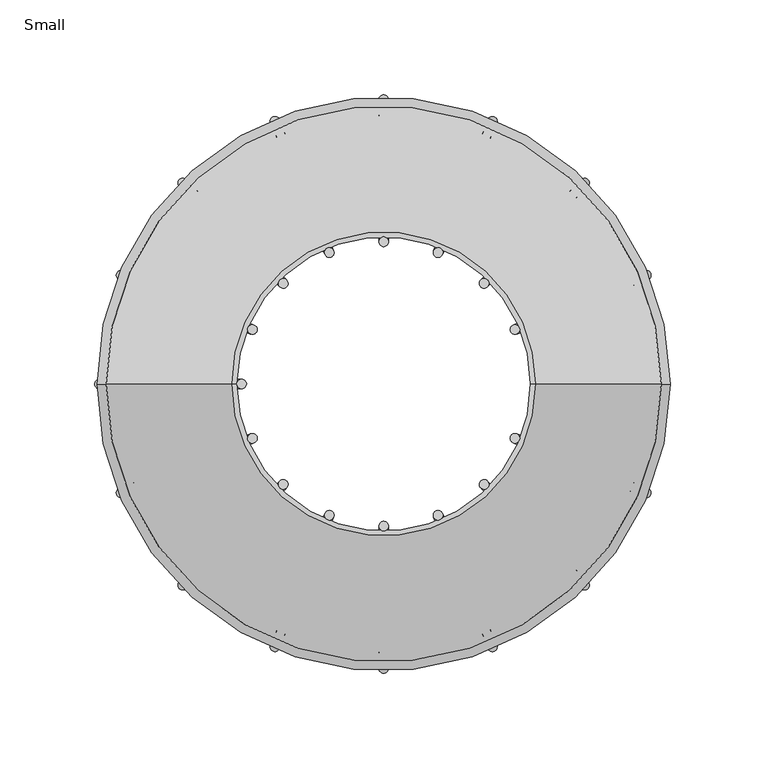
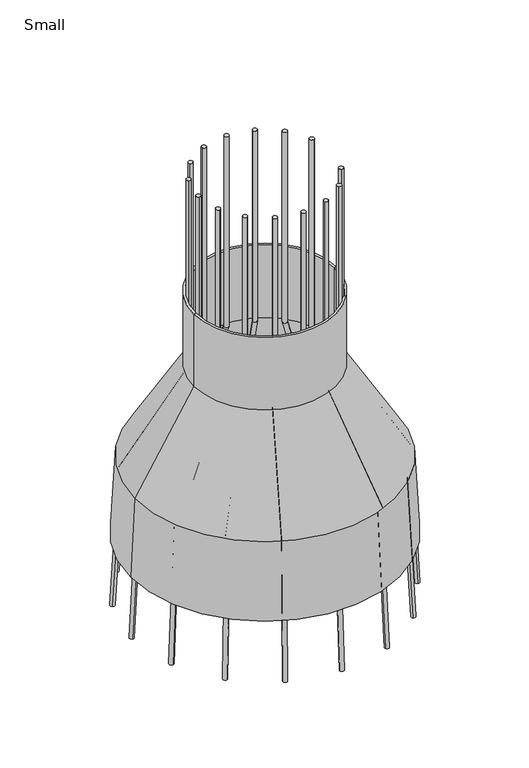
"""IFC4 building model written with IfcOpenShell, lengths in millimetres: furniture geometry, Small."""

from ifc_helpers import new_model, si_unit, frame, origin, place, context, project, spatial, polyline, circle_curve, ellipse_curve, source, transform, mapped, element, save
from ifc_brep_helpers import plane_surface, cylinder_surface, revolved_surface, advanced_brep


def small_c0caa339(model_context):
    return source(origin(), model_context, "Body", "AdvancedBrep", [
        advanced_brep(
        [(-148.7425148, 0.0, 1959.2079541), (148.7425148, 0.0, 1959.2079541), (143.9851188, 0.0, 2049.9844778), (-143.9851188, 0.0, 2049.9844778), (-151.2860005, 0.0, 1959.2079541), (151.2860005, 0.0, 1959.2079541), (-146.4884949, 0.0, 2050.7498139), (146.4884949, 0.0, 2050.7498139), (-80.0919659, 0.0, 2161.2563663), (80.0919659, 0.0, 2161.2563663), (-80.0919659, 0.0, 2247.4181896), (80.0919659, 0.0, 2247.4181896), (-77.5519659, 0.0, 2247.4181896), (77.5519659, 0.0, 2247.4181896), (-77.5519659, 0.0, 2160.5519848), (77.5519659, 0.0, 2160.5519848)],
        [
            (0, 1, circle_curve(frame((0.0, 0.0, 1959.2079541), z_axis=(0.0, 0.0, -1.0), x_axis=(1.0, 0.0, 0.0)), 148.7425148)),
            (1, 2),
            (2, 3, circle_curve(frame((0.0, 0.0, 2049.9844778), z_axis=(0.0, 0.0, 1.0), x_axis=(1.0, 0.0, 0.0)), 143.9851188)),
            (3, 0),
            (1, 0, circle_curve(frame((0.0, 0.0, 1959.2079541), z_axis=(0.0, 0.0, -1.0), x_axis=(1.0, 0.0, 0.0)), 148.7425148)),
            (3, 2, circle_curve(frame((0.0, 0.0, 2049.9844778), z_axis=(0.0, 0.0, 1.0), x_axis=(1.0, 0.0, 0.0)), 143.9851188)),
            (4, 5, circle_curve(frame((0.0, 0.0, 1959.2079541), z_axis=(0.0, 0.0, -1.0), x_axis=(1.0, 0.0, 0.0)), 151.2860005)),
            (5, 1),
            (0, 4),
            (5, 4, circle_curve(frame((0.0, 0.0, 1959.2079541), z_axis=(0.0, 0.0, -1.0), x_axis=(1.0, 0.0, 0.0)), 151.2860005)),
            (6, 7, circle_curve(frame((0.0, 0.0, 2050.7498139), z_axis=(0.0, 0.0, -1.0), x_axis=(1.0, 0.0, 0.0)), 146.4884949)),
            (7, 5),
            (4, 6),
            (7, 6, circle_curve(frame((0.0, 0.0, 2050.7498139), z_axis=(0.0, 0.0, -1.0), x_axis=(1.0, 0.0, 0.0)), 146.4884949)),
            (8, 9, circle_curve(frame((0.0, 0.0, 2161.2563663), z_axis=(0.0, 0.0, -1.0), x_axis=(1.0, 0.0, 0.0)), 80.0919659)),
            (9, 7),
            (6, 8),
            (9, 8, circle_curve(frame((0.0, 0.0, 2161.2563663), z_axis=(0.0, 0.0, -1.0), x_axis=(1.0, 0.0, 0.0)), 80.0919659)),
            (10, 11, circle_curve(frame((0.0, 0.0, 2247.4181896), z_axis=(0.0, 0.0, -1.0), x_axis=(1.0, 0.0, 0.0)), 80.0919659)),
            (11, 9),
            (8, 10),
            (11, 10, circle_curve(frame((0.0, 0.0, 2247.4181896), z_axis=(0.0, 0.0, -1.0), x_axis=(1.0, 0.0, 0.0)), 80.0919659)),
            (12, 13, circle_curve(frame((0.0, 0.0, 2247.4181896), z_axis=(0.0, 0.0, -1.0), x_axis=(1.0, 0.0, 0.0)), 77.5519659)),
            (13, 11),
            (10, 12),
            (13, 12, circle_curve(frame((0.0, 0.0, 2247.4181896), z_axis=(0.0, 0.0, -1.0), x_axis=(1.0, 0.0, 0.0)), 77.5519659)),
            (14, 15, circle_curve(frame((0.0, 0.0, 2160.5519848), z_axis=(0.0, 0.0, -1.0), x_axis=(1.0, 0.0, 0.0)), 77.5519659)),
            (15, 13),
            (12, 14),
            (15, 14, circle_curve(frame((0.0, 0.0, 2160.5519848), z_axis=(0.0, 0.0, -1.0), x_axis=(1.0, 0.0, 0.0)), 77.5519659)),
            (2, 15),
            (14, 3),
        ],
        [
            revolved_surface(polyline([(143.9851188, 0.0, 2049.9844778), (148.7425148, 0.0, 1959.2079541)]), (0.0, 0.0, 2406.1681896), (0.0, 0.0, 1.0)),
            plane_surface(frame((0.0, 0.0, 1959.2079541), z_axis=(0.0, 0.0, -1.0), x_axis=(1.0, 0.0, 0.0))),
            revolved_surface(polyline([(151.2860005, 0.0, 1959.2079541), (146.4884949, 0.0, 2050.7498139)]), (0.0, 0.0, 2406.1681896), (0.0, 0.0, 1.0)),
            revolved_surface(polyline([(146.4884949, 0.0, 2050.7498139), (80.0919659, 0.0, 2161.2563663)]), (0.0, 0.0, 2406.1681896), (0.0, 0.0, 1.0)),
            cylinder_surface(frame((0.0, 0.0, 2406.1681896), z_axis=(0.0, 0.0, 1.0), x_axis=(1.0, 0.0, 0.0)), 80.0919659),
            plane_surface(frame((0.0, 0.0, 2247.4181896), z_axis=(0.0, 0.0, 1.0), x_axis=(1.0, 0.0, 0.0))),
            revolved_surface(polyline([(77.5519659, 0.0, 2247.4181896), (77.5519659, 0.0, 2160.5519848)]), (0.0, 0.0, 2406.1681896), (0.0, 0.0, 1.0)),
            revolved_surface(polyline([(77.5519659, 0.0, 2160.5519848), (143.9851188, 0.0, 2049.9844778)]), (0.0, 0.0, 2406.1681896), (0.0, 0.0, 1.0)),
        ],
        [
            (0, [[1, 2, 3, 4]]),
            (0, [[5, -4, 6, -2]]),
            (1, [[7, 8, -1, 9]]),
            (1, [[10, -9, -5, -8]]),
            (2, [[11, 12, -7, 13]]),
            (2, [[14, -13, -10, -12]]),
            (3, [[15, 16, -11, 17]]),
            (3, [[18, -17, -14, -16]]),
            (4, [[19, 20, -15, 21]]),
            (4, [[22, -21, -18, -20]]),
            (5, [[23, 24, -19, 25]]),
            (5, [[26, -25, -22, -24]]),
            (6, [[27, 28, -23, 29]]),
            (6, [[30, -29, -26, -28]]),
            (7, [[-3, 31, -27, 32]]),
            (7, [[-6, -32, -30, -31]]),
        ],
    ),
        advanced_brep(
        [(70.2629879, -26.3546063, 2386.4939038), (68.3189561, -31.0479144, 2386.4939038), (70.2629879, -26.3546063, 2159.8442635), (68.3189561, -31.0479144, 2159.8442635), (131.6751717, -51.7923658, 2049.2161633), (129.7311399, -56.4856738, 2049.2161633), (139.5536125, -55.0557228, 1886.5005713), (137.6095807, -59.7490308, 1886.5005713)],
        [
            (0, 1, circle_curve(frame((69.290972, -28.7012603, 2386.4939038), z_axis=(0.0, 0.0, 1.0), x_axis=(-0.38268343236453, -0.9238795325115187, 0.0)), 2.54)),
            (1, 0, circle_curve(frame((69.290972, -28.7012603, 2386.4939038), z_axis=(0.0, 0.0, 1.0), x_axis=(-0.38268343236453, -0.9238795325115187, 0.0)), 2.54)),
            (0, 2),
            (2, 3, ellipse_curve(frame((69.290972, -28.7012603, 2159.8442635), z_axis=(-0.2468960659603159, 0.10226769901714991, 0.9636304532086235), x_axis=(0.890278452624246, -0.36876540936486374, 0.26723837607825474)), 2.6358652, 2.54)),
            (3, 1),
            (3, 2, ellipse_curve(frame((69.290972, -28.7012603, 2159.8442635), z_axis=(-0.2468960659603159, 0.10226769901714991, 0.9636304532086235), x_axis=(0.890278452624246, -0.36876540936486374, 0.26723837607825474)), 2.6358652, 2.54)),
            (2, 4),
            (4, 5, ellipse_curve(frame((130.7031558, -54.1390198, 2049.2161633), z_axis=(-0.2701162338788363, 0.11188580748956521, 0.9563047559630359), x_axis=(-0.8835103908776717, 0.36596198639845884, -0.292371704722735)), 2.6177586, 2.54)),
            (5, 3),
            (5, 4, ellipse_curve(frame((130.7031558, -54.1390198, 2049.2161633), z_axis=(-0.2701162338788363, 0.11188580748956521, 0.9563047559630359), x_axis=(-0.8835103908776717, 0.36596198639845884, -0.292371704722735)), 2.6177586, 2.54)),
            (6, 7, circle_curve(frame((138.5815966, -57.4023768, 1886.5005713), z_axis=(0.04835211878727289, -0.020028103371129067, -0.998629534754574), x_axis=(-0.3826834323645302, -0.9238795325115186, 0.0)), 2.54)),
            (7, 6, circle_curve(frame((138.5815966, -57.4023768, 1886.5005713), z_axis=(0.04835211878727289, -0.020028103371129067, -0.998629534754574), x_axis=(-0.3826834323645302, -0.9238795325115186, 0.0)), 2.54)),
            (4, 6),
            (7, 5),
        ],
        [
            plane_surface(frame((69.290972, -28.7012603, 2386.4939038), z_axis=(0.0, 0.0, 1.0), x_axis=(-0.38268343236453, -0.9238795325115187, 0.0))),
            cylinder_surface(frame((69.290972, -28.7012603, 2386.4939038), z_axis=(0.0, 0.0, 1.0), x_axis=(-0.38268343236453, -0.9238795325115187, 0.0)), 2.54),
            cylinder_surface(frame((69.290972, -28.7012603, 2159.8442635), z_axis=(-0.47583313587353215, 0.197096538304999, 0.8571673007021132), x_axis=(-0.38268343236453006, -0.9238795325115187, 0.0)), 2.54),
            plane_surface(frame((138.5815966, -57.4023768, 1886.5005713), z_axis=(0.048352118787272906, -0.020028103371129057, -0.9986295347545742), x_axis=(-0.3826834323645303, -0.9238795325115186, 0.0))),
            cylinder_surface(frame((130.7031558, -54.1390198, 2049.2161633), z_axis=(-0.04835211878727289, 0.020028103371129067, 0.998629534754574), x_axis=(-0.3826834323645302, -0.9238795325115186, 0.0)), 2.54),
        ],
        [
            (0, [[1, 2]]),
            (1, [[-1, 3, 4, 5]]),
            (1, [[-2, -5, 6, -3]]),
            (2, [[-4, 7, 8, 9]]),
            (2, [[-6, -9, 10, -7]]),
            (3, [[11, 12]]),
            (4, [[-8, 13, -12, 14]]),
            (4, [[-10, -14, -11, -13]]),
        ],
    ),
        advanced_brep(
        [(54.8290652, -51.2369628, 2386.4939038), (51.2369628, -54.8290652, 2386.4939038), (54.8290652, -51.2369628, 2159.8442635), (51.2369628, -54.8290652, 2159.8442635), (101.8319158, -98.2398134, 2049.2161633), (98.2398134, -101.8319158, 2049.2161633), (107.8618133, -104.2697109, 1886.5005713), (104.2697109, -107.8618133, 1886.5005713)],
        [
            (0, 1, circle_curve(frame((53.033014, -53.033014, 2386.4939038), z_axis=(0.0, 0.0, 1.0), x_axis=(-0.7071067811861573, -0.7071067811869379, 0.0)), 2.54)),
            (1, 0, circle_curve(frame((53.033014, -53.033014, 2386.4939038), z_axis=(0.0, 0.0, 1.0), x_axis=(-0.7071067811861573, -0.7071067811869379, 0.0)), 2.54)),
            (0, 2),
            (2, 3, ellipse_curve(frame((53.033014, -53.033014, 2159.8442635), z_axis=(-0.18896606791831944, 0.1889660679181109, 0.9636304532086236), x_axis=(0.68138962802206, -0.6813896280213079, 0.2672383760782539)), 2.6358652, 2.54)),
            (3, 1),
            (3, 2, ellipse_curve(frame((53.033014, -53.033014, 2159.8442635), z_axis=(-0.18896606791831944, 0.1889660679181109, 0.9636304532086236), x_axis=(0.68138962802206, -0.6813896280213079, 0.2672383760782539)), 2.6358652, 2.54)),
            (2, 4),
            (4, 5, ellipse_curve(frame((100.0358646, -100.0358646, 2049.2161633), z_axis=(-0.20673801503663103, 0.20673801503640285, 0.9563047559630358), x_axis=(-0.6762095778227826, 0.6762095778220363, -0.29237170472273366)), 2.6177586, 2.54)),
            (5, 3),
            (5, 4, ellipse_curve(frame((100.0358646, -100.0358646, 2049.2161633), z_axis=(-0.20673801503663103, 0.20673801503640285, 0.9563047559630358), x_axis=(-0.6762095778227826, 0.6762095778220363, -0.29237170472273366)), 2.6177586, 2.54)),
            (6, 7, circle_curve(frame((106.0657621, -106.0657621, 1886.5005713), z_axis=(0.0370071095592874, -0.037007109559246514, -0.9986295347545742), x_axis=(-0.7071067811861572, -0.7071067811869378, 0.0)), 2.54)),
            (7, 6, circle_curve(frame((106.0657621, -106.0657621, 1886.5005713), z_axis=(0.0370071095592874, -0.037007109559246514, -0.9986295347545742), x_axis=(-0.7071067811861572, -0.7071067811869378, 0.0)), 2.54)),
            (4, 6),
            (7, 5),
        ],
        [
            plane_surface(frame((53.033014, -53.033014, 2386.4939038), z_axis=(0.0, 0.0, 1.0000000000000002), x_axis=(-0.7071067811861573, -0.7071067811869379, 0.0))),
            cylinder_surface(frame((53.033014, -53.033014, 2386.4939038), z_axis=(0.0, 0.0, 1.0000000000000002), x_axis=(-0.7071067811861573, -0.7071067811869379, 0.0)), 2.54),
            cylinder_surface(frame((53.033014, -53.033014, 2159.8442635), z_axis=(-0.36418691533836434, 0.3641869153379624, 0.8571673007021132), x_axis=(-0.7071067811861573, -0.7071067811869379, 0.0)), 2.54),
            plane_surface(frame((106.0657621, -106.0657621, 1886.5005713), z_axis=(0.03700710955928736, -0.03700710955924656, -0.9986295347545739), x_axis=(-0.7071067811861574, -0.7071067811869376, 0.0))),
            cylinder_surface(frame((100.0358646, -100.0358646, 2049.2161633), z_axis=(-0.03700710955928739, 0.03700710955924651, 0.9986295347545739), x_axis=(-0.7071067811861572, -0.7071067811869378, 0.0)), 2.54),
        ],
        [
            (0, [[1, 2]]),
            (1, [[-1, 3, 4, 5]]),
            (1, [[-2, -5, 6, -3]]),
            (2, [[-4, 7, 8, 9]]),
            (2, [[-6, -9, 10, -7]]),
            (3, [[11, 12]]),
            (4, [[-8, 13, -12, 14]]),
            (4, [[-10, -14, -11, -13]]),
        ],
    ),
        advanced_brep(
        [(31.0479144, -68.3189561, 2386.4939038), (26.3546063, -70.2629879, 2386.4939038), (31.0479144, -68.3189561, 2159.8442635), (26.3546063, -70.2629879, 2159.8442635), (56.4856738, -129.7311399, 2049.2161633), (51.7923658, -131.6751717, 2049.2161633), (59.7490308, -137.6095807, 1886.5005713), (55.0557228, -139.5536125, 1886.5005713)],
        [
            (0, 1, circle_curve(frame((28.7012603, -69.290972, 2386.4939038), z_axis=(0.0, 0.0, 1.0), x_axis=(-0.9238795325110913, -0.3826834323655615, 0.0)), 2.54)),
            (1, 0, circle_curve(frame((28.7012603, -69.290972, 2386.4939038), z_axis=(0.0, 0.0, 1.0), x_axis=(-0.9238795325110913, -0.3826834323655615, 0.0)), 2.54)),
            (0, 2),
            (2, 3, ellipse_curve(frame((28.7012603, -69.290972, 2159.8442635), z_axis=(-0.10226769901742548, 0.24689606596020172, 0.9636304532086236), x_axis=(0.36876540936585794, -0.8902784526238344, 0.26723837607825396)), 2.6358652, 2.54)),
            (3, 1),
            (3, 2, ellipse_curve(frame((28.7012603, -69.290972, 2159.8442635), z_axis=(-0.10226769901742548, 0.24689606596020172, 0.9636304532086236), x_axis=(0.36876540936585794, -0.8902784526238344, 0.26723837607825396)), 2.6358652, 2.54)),
            (2, 4),
            (4, 5, ellipse_curve(frame((54.1390198, -130.7031558, 2049.2161633), z_axis=(-0.11188580748986675, 0.2701162338787115, 0.9563047559630359), x_axis=(-0.36596198639944544, 0.8835103908772629, -0.2923717047227352)), 2.6177586, 2.54)),
            (5, 3),
            (5, 4, ellipse_curve(frame((54.1390198, -130.7031558, 2049.2161633), z_axis=(-0.11188580748986675, 0.2701162338787115, 0.9563047559630359), x_axis=(-0.36596198639944544, 0.8835103908772629, -0.2923717047227352)), 2.6177586, 2.54)),
            (6, 7, circle_curve(frame((57.4023768, -138.5815966, 1886.5005713), z_axis=(0.020028103371183027, -0.048352118787250695, -0.9986295347545739), x_axis=(-0.9238795325110915, -0.3826834323655614, 0.0)), 2.54)),
            (7, 6, circle_curve(frame((57.4023768, -138.5815966, 1886.5005713), z_axis=(0.020028103371183027, -0.048352118787250695, -0.9986295347545739), x_axis=(-0.9238795325110915, -0.3826834323655614, 0.0)), 2.54)),
            (4, 6),
            (7, 5),
        ],
        [
            plane_surface(frame((28.7012603, -69.290972, 2386.4939038), z_axis=(0.0, 0.0, 1.0), x_axis=(-0.9238795325110913, -0.3826834323655615, 0.0))),
            cylinder_surface(frame((28.7012603, -69.290972, 2386.4939038), z_axis=(0.0, 0.0, 1.0), x_axis=(-0.9238795325110913, -0.3826834323655615, 0.0)), 2.54),
            cylinder_surface(frame((28.7012603, -69.290972, 2159.8442635), z_axis=(-0.19709653830553017, 0.47583313587331194, 0.8571673007021132), x_axis=(-0.9238795325110913, -0.3826834323655615, 0.0)), 2.54),
            plane_surface(frame((57.4023768, -138.5815966, 1886.5005713), z_axis=(0.02002810337118306, -0.0483521187872508, -0.9986295347545739), x_axis=(-0.9238795325110915, -0.38268343236556124, 0.0))),
            cylinder_surface(frame((54.1390198, -130.7031558, 2049.2161633), z_axis=(-0.020028103371183027, 0.048352118787250695, 0.9986295347545739), x_axis=(-0.9238795325110915, -0.3826834323655614, 0.0)), 2.54),
        ],
        [
            (0, [[1, 2]]),
            (1, [[-1, 3, 4, 5]]),
            (1, [[-2, -5, 6, -3]]),
            (2, [[-4, 7, 8, 9]]),
            (2, [[-6, -9, 10, -7]]),
            (3, [[11, 12]]),
            (4, [[-8, 13, -12, 14]]),
            (4, [[-10, -14, -11, -13]]),
        ],
    ),
        advanced_brep(
        [(2.54, -75.0000076, 2386.4939038), (-2.54, -75.0000076, 2386.4939038), (2.54, -75.0000076, 2159.8442635), (-2.54, -75.0000076, 2159.8442635), (2.54, -141.4720764, 2049.2161633), (-2.54, -141.4720764, 2049.2161633), (2.54, -149.9996392, 1886.5005713), (-2.54, -149.9996392, 1886.5005713)],
        [
            (0, 1, circle_curve(frame((0.0, -75.0000076, 2386.4939038), z_axis=(0.0, 0.0, 1.0), x_axis=(-1.0, 0.0, 0.0)), 2.54)),
            (1, 0, circle_curve(frame((0.0, -75.0000076, 2386.4939038), z_axis=(0.0, 0.0, 1.0), x_axis=(-1.0, 0.0, 0.0)), 2.54)),
            (0, 2),
            (2, 3, ellipse_curve(frame((0.0, -75.0000076, 2159.8442635), z_axis=(0.0, 0.2672383760782553, 0.9636304532086236), x_axis=(0.0, -0.9636304532086238, 0.26723837607825396)), 2.6358652, 2.54)),
            (3, 1),
            (3, 2, ellipse_curve(frame((0.0, -75.0000076, 2159.8442635), z_axis=(0.0, 0.2672383760782553, 0.9636304532086236), x_axis=(0.0, -0.9636304532086238, 0.26723837607825396)), 2.6358652, 2.54)),
            (2, 4),
            (4, 5, ellipse_curve(frame((0.0, -141.4720764, 2049.2161633), z_axis=(0.0, 0.29237170472273505, 0.956304755963036), x_axis=(0.0, 0.9563047559630361, -0.29237170472273494)), 2.6177586, 2.54)),
            (5, 3),
            (5, 4, ellipse_curve(frame((0.0, -141.4720764, 2049.2161633), z_axis=(0.0, 0.29237170472273505, 0.956304755963036), x_axis=(0.0, 0.9563047559630361, -0.29237170472273494)), 2.6177586, 2.54)),
            (6, 7, circle_curve(frame((0.0, -149.9996392, 1886.5005713), z_axis=(0.0, -0.05233595624294223, -0.9986295347545742), x_axis=(-1.0, 0.0, 0.0)), 2.54)),
            (7, 6, circle_curve(frame((0.0, -149.9996392, 1886.5005713), z_axis=(0.0, -0.05233595624294223, -0.9986295347545742), x_axis=(-1.0, 0.0, 0.0)), 2.54)),
            (4, 6),
            (7, 5),
        ],
        [
            plane_surface(frame((0.0, -75.0000076, 2386.4939038), z_axis=(0.0, 0.0, 1.0), x_axis=(-1.0, 0.0, 0.0))),
            cylinder_surface(frame((0.0, -75.0000076, 2386.4939038), z_axis=(0.0, 0.0, 1.0), x_axis=(-1.0, 0.0, 0.0)), 2.54),
            cylinder_surface(frame((0.0, -75.0000076, 2159.8442635), z_axis=(0.0, 0.5150380749100527, 0.8571673007021132), x_axis=(-1.0, 0.0, 0.0)), 2.54),
            plane_surface(frame((0.0, -149.9996392, 1886.5005713), z_axis=(0.0, -0.05233595624294232, -0.998629534754574), x_axis=(-1.0, 0.0, 0.0))),
            cylinder_surface(frame((0.0, -141.4720764, 2049.2161633), z_axis=(0.0, 0.05233595624294222, 0.9986295347545739), x_axis=(-1.0, 0.0, 0.0)), 2.54),
        ],
        [
            (0, [[1, 2]]),
            (1, [[-1, 3, 4, 5]]),
            (1, [[-2, -5, 6, -3]]),
            (2, [[-4, 7, 8, 9]]),
            (2, [[-6, -9, 10, -7]]),
            (3, [[11, 12]]),
            (4, [[-8, 13, -12, 14]]),
            (4, [[-10, -14, -11, -13]]),
        ],
    ),
        advanced_brep(
        [(-26.3546063, -70.2629879, 2386.4939038), (-31.0479144, -68.3189561, 2386.4939038), (-26.3546063, -70.2629879, 2159.8442635), (-31.0479144, -68.3189561, 2159.8442635), (-51.7923658, -131.6751717, 2049.2161633), (-56.4856738, -129.7311399, 2049.2161633), (-55.0557228, -139.5536125, 1886.5005713), (-59.7490308, -137.6095807, 1886.5005713)],
        [
            (0, 1, circle_curve(frame((-28.7012603, -69.290972, 2386.4939038), z_axis=(0.0, 0.0, 1.0), x_axis=(-0.9238795325114506, 0.3826834323646943, 0.0)), 2.54)),
            (1, 0, circle_curve(frame((-28.7012603, -69.290972, 2386.4939038), z_axis=(0.0, 0.0, 1.0), x_axis=(-0.9238795325114506, 0.3826834323646943, 0.0)), 2.54)),
            (0, 2),
            (2, 3, ellipse_curve(frame((-28.7012603, -69.290972, 2159.8442635), z_axis=(0.1022676990171938, 0.24689606596029773, 0.9636304532086234), x_axis=(-0.3687654093650219, -0.8902784526241801, 0.2672383760782555)), 2.6358652, 2.54)),
            (3, 1),
            (3, 2, ellipse_curve(frame((-28.7012603, -69.290972, 2159.8442635), z_axis=(0.1022676990171938, 0.24689606596029773, 0.9636304532086234), x_axis=(-0.3687654093650219, -0.8902784526241801, 0.2672383760782555)), 2.6358652, 2.54)),
            (2, 4),
            (4, 5, ellipse_curve(frame((-54.1390198, -130.7031558, 2049.2161633), z_axis=(0.11188580748961331, 0.27011623387881645, 0.9563047559630359), x_axis=(0.3659619863986157, 0.8835103908776065, -0.29237170472273494)), 2.6177586, 2.54)),
            (5, 3),
            (5, 4, ellipse_curve(frame((-54.1390198, -130.7031558, 2049.2161633), z_axis=(0.11188580748961331, 0.27011623387881645, 0.9563047559630359), x_axis=(0.3659619863986157, 0.8835103908776065, -0.29237170472273494)), 2.6177586, 2.54)),
            (6, 7, circle_curve(frame((-57.4023768, -138.5815966, 1886.5005713), z_axis=(-0.020028103371137737, -0.04835211878726924, -0.998629534754574), x_axis=(-0.9238795325114505, 0.3826834323646942, 0.0)), 2.54)),
            (7, 6, circle_curve(frame((-57.4023768, -138.5815966, 1886.5005713), z_axis=(-0.020028103371137737, -0.04835211878726924, -0.998629534754574), x_axis=(-0.9238795325114505, 0.3826834323646942, 0.0)), 2.54)),
            (4, 6),
            (7, 5),
        ],
        [
            plane_surface(frame((-28.7012603, -69.290972, 2386.4939038), z_axis=(0.0, 0.0, 1.0), x_axis=(-0.9238795325114506, 0.3826834323646943, 0.0))),
            cylinder_surface(frame((-28.7012603, -69.290972, 2386.4939038), z_axis=(0.0, 0.0, 1.0), x_axis=(-0.9238795325114506, 0.3826834323646943, 0.0)), 2.54),
            cylinder_surface(frame((-28.7012603, -69.290972, 2159.8442635), z_axis=(0.1970965383050836, 0.47583313587349707, 0.8571673007021132), x_axis=(-0.9238795325114506, 0.3826834323646943, 0.0)), 2.54),
            plane_surface(frame((-57.4023768, -138.5815966, 1886.5005713), z_axis=(-0.020028103371137824, -0.048352118787269346, -0.9986295347545742), x_axis=(-0.9238795325114507, 0.38268343236469426, 0.0))),
            cylinder_surface(frame((-54.1390198, -130.7031558, 2049.2161633), z_axis=(0.020028103371137737, 0.04835211878726924, 0.998629534754574), x_axis=(-0.9238795325114505, 0.3826834323646942, 0.0)), 2.54),
        ],
        [
            (0, [[1, 2]]),
            (1, [[-1, 3, 4, 5]]),
            (1, [[-2, -5, 6, -3]]),
            (2, [[-4, 7, 8, 9]]),
            (2, [[-6, -9, 10, -7]]),
            (3, [[11, 12]]),
            (4, [[-8, 13, -12, 14]]),
            (4, [[-10, -14, -11, -13]]),
        ],
    ),
        advanced_brep(
        [(-51.2369628, -54.8290652, 2386.4939038), (-54.8290652, -51.2369628, 2386.4939038), (-51.2369628, -54.8290652, 2159.8442635), (-54.8290652, -51.2369628, 2159.8442635), (-98.2398134, -101.8319158, 2049.2161633), (-101.8319158, -98.2398134, 2049.2161633), (-104.2697109, -107.8618133, 1886.5005713), (-107.8618133, -104.2697109, 1886.5005713)],
        [
            (0, 1, circle_curve(frame((-53.033014, -53.033014, 2386.4939038), z_axis=(0.0, 0.0, 1.0), x_axis=(-0.707106781186821, 0.707106781186274, 0.0)), 2.54)),
            (1, 0, circle_curve(frame((-53.033014, -53.033014, 2386.4939038), z_axis=(0.0, 0.0, 1.0), x_axis=(-0.707106781186821, 0.707106781186274, 0.0)), 2.54)),
            (0, 2),
            (2, 3, ellipse_curve(frame((-53.033014, -53.033014, 2159.8442635), z_axis=(0.1889660679181421, 0.18896606791828818, 0.9636304532086234), x_axis=(-0.6813896280214201, -0.6813896280219472, 0.26723837607825557)), 2.6358652, 2.54)),
            (3, 1),
            (3, 2, ellipse_curve(frame((-53.033014, -53.033014, 2159.8442635), z_axis=(0.1889660679181421, 0.18896606791828818, 0.9636304532086234), x_axis=(-0.6813896280214201, -0.6813896280219472, 0.26723837607825557)), 2.6358652, 2.54)),
            (2, 4),
            (4, 5, ellipse_curve(frame((-100.0358646, -100.0358646, 2049.2161633), z_axis=(0.2067380150364371, 0.20673801503659697, 0.9563047559630359), x_axis=(0.6762095778221476, 0.6762095778226707, -0.2923717047227351)), 2.6177586, 2.54)),
            (5, 3),
            (5, 4, ellipse_curve(frame((-100.0358646, -100.0358646, 2049.2161633), z_axis=(0.2067380150364371, 0.20673801503659697, 0.9563047559630359), x_axis=(0.6762095778221476, 0.6762095778226707, -0.2923717047227351)), 2.6177586, 2.54)),
            (6, 7, circle_curve(frame((-106.0657621, -106.0657621, 1886.5005713), z_axis=(-0.037007109559252765, -0.03700710955928131, -0.998629534754574), x_axis=(-0.7071067811868209, 0.7071067811862741, 0.0)), 2.54)),
            (7, 6, circle_curve(frame((-106.0657621, -106.0657621, 1886.5005713), z_axis=(-0.037007109559252765, -0.03700710955928131, -0.998629534754574), x_axis=(-0.7071067811868209, 0.7071067811862741, 0.0)), 2.54)),
            (4, 6),
            (7, 5),
        ],
        [
            plane_surface(frame((-53.033014, -53.033014, 2386.4939038), z_axis=(0.0, 0.0, 1.0), x_axis=(-0.707106781186821, 0.707106781186274, 0.0))),
            cylinder_surface(frame((-53.033014, -53.033014, 2386.4939038), z_axis=(0.0, 0.0, 1.0), x_axis=(-0.707106781186821, 0.707106781186274, 0.0)), 2.54),
            cylinder_surface(frame((-53.033014, -53.033014, 2159.8442635), z_axis=(0.36418691533802255, 0.3641869153383042, 0.8571673007021132), x_axis=(-0.707106781186821, 0.707106781186274, 0.0)), 2.54),
            plane_surface(frame((-106.0657621, -106.0657621, 1886.5005713), z_axis=(-0.03700710955925273, -0.037007109559281284, -0.9986295347545739), x_axis=(-0.7071067811868211, 0.7071067811862739, 0.0))),
            cylinder_surface(frame((-100.0358646, -100.0358646, 2049.2161633), z_axis=(0.037007109559252765, 0.03700710955928131, 0.998629534754574), x_axis=(-0.7071067811868209, 0.7071067811862741, 0.0)), 2.54),
        ],
        [
            (0, [[1, 2]]),
            (1, [[-1, 3, 4, 5]]),
            (1, [[-2, -5, 6, -3]]),
            (2, [[-4, 7, 8, 9]]),
            (2, [[-6, -9, 10, -7]]),
            (3, [[11, 12]]),
            (4, [[-8, 13, -12, 14]]),
            (4, [[-10, -14, -11, -13]]),
        ],
    ),
        advanced_brep(
        [(-68.3189561, -31.0479144, 2386.4939038), (-70.2629879, -26.3546063, 2386.4939038), (-68.3189561, -31.0479144, 2159.8442635), (-70.2629879, -26.3546063, 2159.8442635), (-129.7311399, -56.4856738, 2049.2161633), (-131.6751717, -51.7923658, 2049.2161633), (-137.6095807, -59.7490308, 1886.5005713), (-139.5536125, -55.0557228, 1886.5005713)],
        [
            (0, 1, circle_curve(frame((-69.290972, -28.7012603, 2386.4939038), z_axis=(0.0, 0.0, 1.0), x_axis=(-0.382683432365409, 0.9238795325111546, 0.0)), 2.54)),
            (1, 0, circle_curve(frame((-69.290972, -28.7012603, 2386.4939038), z_axis=(0.0, 0.0, 1.0), x_axis=(-0.382683432365409, 0.9238795325111546, 0.0)), 2.54)),
            (0, 2),
            (2, 3, ellipse_curve(frame((-69.290972, -28.7012603, 2159.8442635), z_axis=(0.24689606596021865, 0.10226769901738463, 0.9636304532086234), x_axis=(-0.890278452623895, -0.3687654093657105, 0.26723837607825557)), 2.6358652, 2.54)),
            (3, 1),
            (3, 2, ellipse_curve(frame((-69.290972, -28.7012603, 2159.8442635), z_axis=(0.24689606596021865, 0.10226769901738463, 0.9636304532086234), x_axis=(-0.890278452623895, -0.3687654093657105, 0.26723837607825557)), 2.6358652, 2.54)),
            (2, 4),
            (4, 5, ellipse_curve(frame((-130.7031558, -54.1390198, 2049.2161633), z_axis=(0.27011623387872996, 0.11188580748982208, 0.9563047559630359), x_axis=(0.8835103908773235, 0.36596198639929894, -0.292371704722735)), 2.6177586, 2.54)),
            (5, 3),
            (5, 4, ellipse_curve(frame((-130.7031558, -54.1390198, 2049.2161633), z_axis=(0.27011623387872996, 0.11188580748982208, 0.9563047559630359), x_axis=(0.8835103908773235, 0.36596198639929894, -0.292371704722735)), 2.6177586, 2.54)),
            (6, 7, circle_curve(frame((-138.5815966, -57.4023768, 1886.5005713), z_axis=(-0.04835211878725387, -0.02002810337117502, -0.9986295347545739), x_axis=(-0.38268343236540897, 0.9238795325111546, 0.0)), 2.54)),
            (7, 6, circle_curve(frame((-138.5815966, -57.4023768, 1886.5005713), z_axis=(-0.04835211878725387, -0.02002810337117502, -0.9986295347545739), x_axis=(-0.38268343236540897, 0.9238795325111546, 0.0)), 2.54)),
            (4, 6),
            (7, 5),
        ],
        [
            plane_surface(frame((-69.290972, -28.7012603, 2386.4939038), z_axis=(0.0, 0.0, 1.0000000000000002), x_axis=(-0.382683432365409, 0.9238795325111546, 0.0))),
            cylinder_surface(frame((-69.290972, -28.7012603, 2386.4939038), z_axis=(0.0, 0.0, 1.0000000000000002), x_axis=(-0.382683432365409, 0.9238795325111546, 0.0)), 2.54),
            cylinder_surface(frame((-69.290972, -28.7012603, 2159.8442635), z_axis=(0.4758331358733447, 0.19709653830545146, 0.8571673007021132), x_axis=(-0.3826834323654089, 0.9238795325111546, 0.0)), 2.54),
            plane_surface(frame((-138.5815966, -57.4023768, 1886.5005713), z_axis=(-0.04835211878725381, -0.020028103371175023, -0.9986295347545742), x_axis=(-0.3826834323654091, 0.9238795325111546, 0.0))),
            cylinder_surface(frame((-130.7031558, -54.1390198, 2049.2161633), z_axis=(0.04835211878725389, 0.020028103371175023, 0.9986295347545742), x_axis=(-0.38268343236540897, 0.9238795325111546, 0.0)), 2.54),
        ],
        [
            (0, [[1, 2]]),
            (1, [[-1, 3, 4, 5]]),
            (1, [[-2, -5, 6, -3]]),
            (2, [[-4, 7, 8, 9]]),
            (2, [[-6, -9, 10, -7]]),
            (3, [[11, 12]]),
            (4, [[-8, 13, -12, 14]]),
            (4, [[-10, -14, -11, -13]]),
        ],
    ),
        advanced_brep(
        [(-75.0000076, -2.54, 2386.4939038), (-75.0000076, 2.54, 2386.4939038), (-75.0000076, -2.54, 2159.8442635), (-75.0000076, 2.54, 2159.8442635), (-141.4720764, -2.54, 2049.2161633), (-141.4720764, 2.54, 2049.2161633), (-149.9996392, -2.54, 1886.5005713), (-149.9996392, 2.54, 1886.5005713)],
        [
            (0, 1, circle_curve(frame((-75.0000076, 0.0, 2386.4939038), z_axis=(0.0, 0.0, 1.0), x_axis=(0.0, 1.0, 0.0)), 2.54)),
            (1, 0, circle_curve(frame((-75.0000076, 0.0, 2386.4939038), z_axis=(0.0, 0.0, 1.0), x_axis=(0.0, 1.0, 0.0)), 2.54)),
            (0, 2),
            (2, 3, ellipse_curve(frame((-75.0000076, 0.0, 2159.8442635), z_axis=(0.2672383760782551, 0.0, 0.9636304532086233), x_axis=(-0.963630453208623, 0.0, 0.2672383760782565)), 2.6358652, 2.54)),
            (3, 1),
            (3, 2, ellipse_curve(frame((-75.0000076, 0.0, 2159.8442635), z_axis=(0.2672383760782551, 0.0, 0.9636304532086233), x_axis=(-0.963630453208623, 0.0, 0.2672383760782565)), 2.6358652, 2.54)),
            (2, 4),
            (4, 5, ellipse_curve(frame((-141.4720764, 0.0, 2049.2161633), z_axis=(0.292371704722735, 0.0, 0.956304755963036), x_axis=(0.956304755963036, 0.0, -0.29237170472273455)), 2.6177586, 2.54)),
            (5, 3),
            (5, 4, ellipse_curve(frame((-141.4720764, 0.0, 2049.2161633), z_axis=(0.292371704722735, 0.0, 0.956304755963036), x_axis=(0.956304755963036, 0.0, -0.29237170472273455)), 2.6177586, 2.54)),
            (6, 7, circle_curve(frame((-149.9996392, 0.0, 1886.5005713), z_axis=(-0.05233595624294219, 0.0, -0.998629534754574), x_axis=(0.0, 1.0, 0.0)), 2.54)),
            (7, 6, circle_curve(frame((-149.9996392, 0.0, 1886.5005713), z_axis=(-0.05233595624294219, 0.0, -0.998629534754574), x_axis=(0.0, 1.0, 0.0)), 2.54)),
            (4, 6),
            (7, 5),
        ],
        [
            plane_surface(frame((-75.0000076, 0.0, 2386.4939038), z_axis=(0.0, 0.0, 1.0), x_axis=(0.0, 1.0, 0.0))),
            cylinder_surface(frame((-75.0000076, 0.0, 2386.4939038), z_axis=(0.0, 0.0, 1.0), x_axis=(0.0, 1.0, 0.0)), 2.54),
            cylinder_surface(frame((-75.0000076, 0.0, 2159.8442635), z_axis=(0.5150380749100526, 0.0, 0.8571673007021133), x_axis=(0.0, 1.0, 0.0)), 2.54),
            plane_surface(frame((-149.9996392, 0.0, 1886.5005713), z_axis=(-0.05233595624294223, 0.0, -0.998629534754574), x_axis=(0.0, 1.0, 0.0))),
            cylinder_surface(frame((-141.4720764, 0.0, 2049.2161633), z_axis=(0.05233595624294219, 0.0, 0.998629534754574), x_axis=(0.0, 1.0, 0.0)), 2.54),
        ],
        [
            (0, [[1, 2]]),
            (1, [[-1, 3, 4, 5]]),
            (1, [[-2, -5, 6, -3]]),
            (2, [[-4, 7, 8, 9]]),
            (2, [[-6, -9, 10, -7]]),
            (3, [[11, 12]]),
            (4, [[-8, 13, -12, 14]]),
            (4, [[-10, -14, -11, -13]]),
        ],
    ),
        advanced_brep(
        [(-70.2629879, 26.3546063, 2386.4939038), (-68.3189561, 31.0479144, 2386.4939038), (-70.2629879, 26.3546063, 2159.8442635), (-68.3189561, 31.0479144, 2159.8442635), (-131.6751717, 51.7923658, 2049.2161633), (-129.7311399, 56.4856738, 2049.2161633), (-139.5536125, 55.0557228, 1886.5005713), (-137.6095807, 59.7490308, 1886.5005713)],
        [
            (0, 1, circle_curve(frame((-69.290972, 28.7012603, 2386.4939038), z_axis=(0.0, 0.0, 1.0), x_axis=(0.382683432364835, 0.9238795325113923, 0.0)), 2.54)),
            (1, 0, circle_curve(frame((-69.290972, 28.7012603, 2386.4939038), z_axis=(0.0, 0.0, 1.0), x_axis=(0.382683432364835, 0.9238795325113923, 0.0)), 2.54)),
            (0, 2),
            (2, 3, ellipse_curve(frame((-69.290972, 28.7012603, 2159.8442635), z_axis=(0.24689606596028213, -0.1022676990172314, 0.9636304532086234), x_axis=(-0.890278452624124, 0.36876540936515745, 0.2672383760782555)), 2.6358652, 2.54)),
            (3, 1),
            (3, 2, ellipse_curve(frame((-69.290972, 28.7012603, 2159.8442635), z_axis=(0.24689606596028213, -0.1022676990172314, 0.9636304532086234), x_axis=(-0.890278452624124, 0.36876540936515745, 0.2672383760782555)), 2.6358652, 2.54)),
            (2, 4),
            (4, 5, ellipse_curve(frame((-130.7031558, 54.1390198, 2049.2161633), z_axis=(0.2701162338787994, -0.11188580748965438, 0.9563047559630359), x_axis=(0.8835103908775507, -0.36596198639875055, -0.292371704722735)), 2.6177586, 2.54)),
            (5, 3),
            (5, 4, ellipse_curve(frame((-130.7031558, 54.1390198, 2049.2161633), z_axis=(0.2701162338787994, -0.11188580748965438, 0.9563047559630359), x_axis=(0.8835103908775507, -0.36596198639875055, -0.292371704722735)), 2.6177586, 2.54)),
            (6, 7, circle_curve(frame((-138.5815966, 57.4023768, 1886.5005713), z_axis=(-0.048352118787266286, 0.020028103371145002, -0.9986295347545739), x_axis=(0.38268343236483515, 0.9238795325113923, 0.0)), 2.54)),
            (7, 6, circle_curve(frame((-138.5815966, 57.4023768, 1886.5005713), z_axis=(-0.048352118787266286, 0.020028103371145002, -0.9986295347545739), x_axis=(0.38268343236483515, 0.9238795325113923, 0.0)), 2.54)),
            (4, 6),
            (7, 5),
        ],
        [
            plane_surface(frame((-69.290972, 28.7012603, 2386.4939038), z_axis=(0.0, 0.0, 1.0), x_axis=(0.382683432364835, 0.9238795325113923, 0.0))),
            cylinder_surface(frame((-69.290972, 28.7012603, 2386.4939038), z_axis=(0.0, 0.0, 1.0), x_axis=(0.382683432364835, 0.9238795325113923, 0.0)), 2.54),
            cylinder_surface(frame((-69.290972, 28.7012603, 2159.8442635), z_axis=(0.47583313587346704, -0.19709653830515605, 0.8571673007021132), x_axis=(0.382683432364835, 0.9238795325113923, 0.0)), 2.54),
            plane_surface(frame((-138.5815966, 57.4023768, 1886.5005713), z_axis=(-0.048352118787266356, 0.020028103371145065, -0.9986295347545739), x_axis=(0.38268343236483526, 0.9238795325113922, 0.0))),
            cylinder_surface(frame((-130.7031558, 54.1390198, 2049.2161633), z_axis=(0.0483521187872663, -0.020028103371145006, 0.9986295347545742), x_axis=(0.38268343236483515, 0.9238795325113923, 0.0)), 2.54),
        ],
        [
            (0, [[1, 2]]),
            (1, [[-1, 3, 4, 5]]),
            (1, [[-2, -5, 6, -3]]),
            (2, [[-4, 7, 8, 9]]),
            (2, [[-6, -9, 10, -7]]),
            (3, [[11, 12]]),
            (4, [[-8, 13, -12, 14]]),
            (4, [[-10, -14, -11, -13]]),
        ],
    ),
        advanced_brep(
        [(-54.8290652, 51.2369628, 2386.4939038), (-51.2369628, 54.8290652, 2386.4939038), (-54.8290652, 51.2369628, 2159.8442635), (-51.2369628, 54.8290652, 2159.8442635), (-101.8319158, 98.2398134, 2049.2161633), (-98.2398134, 101.8319158, 2049.2161633), (-107.8618133, 104.2697109, 1886.5005713), (-104.2697109, 107.8618133, 1886.5005713)],
        [
            (0, 1, circle_curve(frame((-53.033014, 53.033014, 2386.4939038), z_axis=(0.0, 0.0, 1.0), x_axis=(0.7071067811863818, 0.7071067811867133, 0.0)), 2.54)),
            (1, 0, circle_curve(frame((-53.033014, 53.033014, 2386.4939038), z_axis=(0.0, 0.0, 1.0), x_axis=(0.7071067811863818, 0.7071067811867133, 0.0)), 2.54)),
            (0, 2),
            (2, 3, ellipse_curve(frame((-53.033014, 53.033014, 2159.8442635), z_axis=(0.18896606791825935, -0.18896606791817083, 0.9636304532086233), x_axis=(-0.6813896280218433, 0.6813896280215238, 0.26723837607825646)), 2.6358652, 2.54)),
            (3, 1),
            (3, 2, ellipse_curve(frame((-53.033014, 53.033014, 2159.8442635), z_axis=(0.18896606791825935, -0.18896606791817083, 0.9636304532086233), x_axis=(-0.6813896280218433, 0.6813896280215238, 0.26723837607825646)), 2.6358652, 2.54)),
            (2, 4),
            (4, 5, ellipse_curve(frame((-100.0358646, 100.0358646, 2049.2161633), z_axis=(0.2067380150365654, -0.20673801503646855, 0.9563047559630359), x_axis=(0.6762095778225679, -0.6762095778222507, -0.29237170472273455)), 2.6177586, 2.54)),
            (5, 3),
            (5, 4, ellipse_curve(frame((-100.0358646, 100.0358646, 2049.2161633), z_axis=(0.2067380150365654, -0.20673801503646855, 0.9563047559630359), x_axis=(0.6762095778225679, -0.6762095778222507, -0.29237170472273455)), 2.6177586, 2.54)),
            (6, 7, circle_curve(frame((-106.0657621, 106.0657621, 1886.5005713), z_axis=(-0.03700710955927561, 0.03700710955925838, -0.9986295347545742), x_axis=(0.7071067811863818, 0.7071067811867132, 0.0)), 2.54)),
            (7, 6, circle_curve(frame((-106.0657621, 106.0657621, 1886.5005713), z_axis=(-0.03700710955927561, 0.03700710955925838, -0.9986295347545742), x_axis=(0.7071067811863818, 0.7071067811867132, 0.0)), 2.54)),
            (4, 6),
            (7, 5),
        ],
        [
            plane_surface(frame((-53.033014, 53.033014, 2386.4939038), z_axis=(0.0, 0.0, 1.0), x_axis=(0.7071067811863818, 0.7071067811867133, 0.0))),
            cylinder_surface(frame((-53.033014, 53.033014, 2386.4939038), z_axis=(0.0, 0.0, 1.0), x_axis=(0.7071067811863818, 0.7071067811867133, 0.0)), 2.54),
            cylinder_surface(frame((-53.033014, 53.033014, 2159.8442635), z_axis=(0.3641869153382487, -0.364186915338078, 0.8571673007021133), x_axis=(0.7071067811863818, 0.7071067811867134, 0.0)), 2.54),
            plane_surface(frame((-106.0657621, 106.0657621, 1886.5005713), z_axis=(-0.03700710955927562, 0.03700710955925833, -0.9986295347545739), x_axis=(0.7071067811863819, 0.7071067811867131, 0.0))),
            cylinder_surface(frame((-100.0358646, 100.0358646, 2049.2161633), z_axis=(0.0370071095592756, -0.03700710955925837, 0.9986295347545739), x_axis=(0.7071067811863818, 0.7071067811867132, 0.0)), 2.54),
        ],
        [
            (0, [[1, 2]]),
            (1, [[-1, 3, 4, 5]]),
            (1, [[-2, -5, 6, -3]]),
            (2, [[-4, 7, 8, 9]]),
            (2, [[-6, -9, 10, -7]]),
            (3, [[11, 12]]),
            (4, [[-8, 13, -12, 14]]),
            (4, [[-10, -14, -11, -13]]),
        ],
    ),
        advanced_brep(
        [(-31.0479144, 68.3189561, 2386.4939038), (-26.3546063, 70.2629879, 2386.4939038), (-31.0479144, 68.3189561, 2159.8442635), (-26.3546063, 70.2629879, 2159.8442635), (-56.4856738, 129.7311399, 2049.2161633), (-51.7923658, 131.6751717, 2049.2161633), (-59.7490308, 137.6095807, 1886.5005713), (-55.0557228, 139.5536125, 1886.5005713)],
        [
            (0, 1, circle_curve(frame((-28.7012603, 69.290972, 2386.4939038), z_axis=(0.0, 0.0, 1.0), x_axis=(0.9238795325112129, 0.3826834323652683, 0.0)), 2.54)),
            (1, 0, circle_curve(frame((-28.7012603, 69.290972, 2386.4939038), z_axis=(0.0, 0.0, 1.0), x_axis=(0.9238795325112129, 0.3826834323652683, 0.0)), 2.54)),
            (0, 2),
            (2, 3, ellipse_curve(frame((-28.7012603, 69.290972, 2159.8442635), z_axis=(0.1022676990173471, -0.2468960659602342, 0.9636304532086234), x_axis=(-0.36876540936557517, 0.8902784526239512, 0.26723837607825557)), 2.6358652, 2.54)),
            (3, 1),
            (3, 2, ellipse_curve(frame((-28.7012603, 69.290972, 2159.8442635), z_axis=(0.1022676990173471, -0.2468960659602342, 0.9636304532086234), x_axis=(-0.36876540936557517, 0.8902784526239512, 0.26723837607825557)), 2.6358652, 2.54)),
            (2, 4),
            (4, 5, ellipse_curve(frame((-54.1390198, 130.7031558, 2049.2161633), z_axis=(0.11188580748978107, -0.27011623387874706, 0.9563047559630359), x_axis=(0.3659619863991648, -0.8835103908773793, -0.29237170472273516)), 2.6177586, 2.54)),
            (5, 3),
            (5, 4, ellipse_curve(frame((-54.1390198, 130.7031558, 2049.2161633), z_axis=(0.11188580748978107, -0.27011623387874706, 0.9563047559630359), x_axis=(0.3659619863991648, -0.8835103908773793, -0.29237170472273516)), 2.6177586, 2.54)),
            (6, 7, circle_curve(frame((-57.4023768, 138.5815966, 1886.5005713), z_axis=(-0.02002810337116775, 0.04835211878725707, -0.9986295347545739), x_axis=(0.9238795325112129, 0.3826834323652681, 0.0)), 2.54)),
            (7, 6, circle_curve(frame((-57.4023768, 138.5815966, 1886.5005713), z_axis=(-0.02002810337116775, 0.04835211878725707, -0.9986295347545739), x_axis=(0.9238795325112129, 0.3826834323652681, 0.0)), 2.54)),
            (4, 6),
            (7, 5),
        ],
        [
            plane_surface(frame((-28.7012603, 69.290972, 2386.4939038), z_axis=(0.0, 0.0, 1.0000000000000002), x_axis=(0.9238795325112129, 0.3826834323652683, 0.0))),
            cylinder_surface(frame((-28.7012603, 69.290972, 2386.4939038), z_axis=(0.0, 0.0, 1.0000000000000002), x_axis=(0.9238795325112129, 0.3826834323652683, 0.0)), 2.54),
            cylinder_surface(frame((-28.7012603, 69.290972, 2159.8442635), z_axis=(0.19709653830537915, -0.47583313587337467, 0.8571673007021132), x_axis=(0.9238795325112129, 0.3826834323652683, 0.0)), 2.54),
            plane_surface(frame((-57.4023768, 138.5815966, 1886.5005713), z_axis=(-0.020028103371167713, 0.04835211878725713, -0.9986295347545739), x_axis=(0.9238795325112129, 0.38268343236526814, 0.0))),
            cylinder_surface(frame((-54.1390198, 130.7031558, 2049.2161633), z_axis=(0.02002810337116775, -0.04835211878725707, 0.9986295347545739), x_axis=(0.9238795325112129, 0.3826834323652681, 0.0)), 2.54),
        ],
        [
            (0, [[1, 2]]),
            (1, [[-1, 3, 4, 5]]),
            (1, [[-2, -5, 6, -3]]),
            (2, [[-4, 7, 8, 9]]),
            (2, [[-6, -9, 10, -7]]),
            (3, [[11, 12]]),
            (4, [[-8, 13, -12, 14]]),
            (4, [[-10, -14, -11, -13]]),
        ],
    ),
        advanced_brep(
        [(-2.54, 75.0000076, 2386.4939038), (2.54, 75.0000076, 2386.4939038), (-2.54, 75.0000076, 2159.8442635), (2.54, 75.0000076, 2159.8442635), (-2.54, 141.4720764, 2049.2161633), (2.54, 141.4720764, 2049.2161633), (-2.54, 149.9996392, 1886.5005713), (2.54, 149.9996392, 1886.5005713)],
        [
            (0, 1, circle_curve(frame((0.0, 75.0000076, 2386.4939038), z_axis=(0.0, 0.0, 1.0), x_axis=(1.0, 0.0, 0.0)), 2.54)),
            (1, 0, circle_curve(frame((0.0, 75.0000076, 2386.4939038), z_axis=(0.0, 0.0, 1.0), x_axis=(1.0, 0.0, 0.0)), 2.54)),
            (0, 2),
            (2, 3, ellipse_curve(frame((0.0, 75.0000076, 2159.8442635), z_axis=(0.0, -0.2672383760782553, 0.9636304532086236), x_axis=(0.0, 0.9636304532086238, 0.26723837607825396)), 2.6358652, 2.54)),
            (3, 1),
            (3, 2, ellipse_curve(frame((0.0, 75.0000076, 2159.8442635), z_axis=(0.0, -0.2672383760782553, 0.9636304532086236), x_axis=(0.0, 0.9636304532086238, 0.26723837607825396)), 2.6358652, 2.54)),
            (2, 4),
            (4, 5, ellipse_curve(frame((0.0, 141.4720764, 2049.2161633), z_axis=(0.0, -0.29237170472273505, 0.956304755963036), x_axis=(0.0, -0.9563047559630361, -0.29237170472273494)), 2.6177586, 2.54)),
            (5, 3),
            (5, 4, ellipse_curve(frame((0.0, 141.4720764, 2049.2161633), z_axis=(0.0, -0.29237170472273505, 0.956304755963036), x_axis=(0.0, -0.9563047559630361, -0.29237170472273494)), 2.6177586, 2.54)),
            (6, 7, circle_curve(frame((0.0, 149.9996392, 1886.5005713), z_axis=(0.0, 0.05233595624294223, -0.9986295347545742), x_axis=(1.0, 0.0, 0.0)), 2.54)),
            (7, 6, circle_curve(frame((0.0, 149.9996392, 1886.5005713), z_axis=(0.0, 0.05233595624294223, -0.9986295347545742), x_axis=(1.0, 0.0, 0.0)), 2.54)),
            (4, 6),
            (7, 5),
        ],
        [
            plane_surface(frame((0.0, 75.0000076, 2386.4939038), z_axis=(0.0, 0.0, 1.0), x_axis=(1.0, 0.0, 0.0))),
            cylinder_surface(frame((0.0, 75.0000076, 2386.4939038), z_axis=(0.0, 0.0, 1.0), x_axis=(1.0, 0.0, 0.0)), 2.54),
            cylinder_surface(frame((0.0, 75.0000076, 2159.8442635), z_axis=(0.0, -0.5150380749100527, 0.8571673007021132), x_axis=(1.0, 0.0, 0.0)), 2.54),
            plane_surface(frame((0.0, 149.9996392, 1886.5005713), z_axis=(0.0, 0.05233595624294232, -0.998629534754574), x_axis=(1.0, 0.0, 0.0))),
            cylinder_surface(frame((0.0, 141.4720764, 2049.2161633), z_axis=(0.0, -0.05233595624294222, 0.9986295347545739), x_axis=(1.0, 0.0, 0.0)), 2.54),
        ],
        [
            (0, [[1, 2]]),
            (1, [[-1, 3, 4, 5]]),
            (1, [[-2, -5, 6, -3]]),
            (2, [[-4, 7, 8, 9]]),
            (2, [[-6, -9, 10, -7]]),
            (3, [[11, 12]]),
            (4, [[-8, 13, -12, 14]]),
            (4, [[-10, -14, -11, -13]]),
        ],
    ),
        advanced_brep(
        [(26.3546063, 70.2629879, 2386.4939038), (31.0479144, 68.3189561, 2386.4939038), (26.3546063, 70.2629879, 2159.8442635), (31.0479144, 68.3189561, 2159.8442635), (51.7923658, 131.6751717, 2049.2161633), (56.4856738, 129.7311399, 2049.2161633), (55.0557228, 139.5536125, 1886.5005713), (59.7490308, 137.6095807, 1886.5005713)],
        [
            (0, 1, circle_curve(frame((28.7012603, 69.290972, 2386.4939038), z_axis=(0.0, 0.0, 1.0), x_axis=(0.923879532511329, -0.3826834323649877, 0.0)), 2.54)),
            (1, 0, circle_curve(frame((28.7012603, 69.290972, 2386.4939038), z_axis=(0.0, 0.0, 1.0), x_axis=(0.923879532511329, -0.3826834323649877, 0.0)), 2.54)),
            (0, 2),
            (2, 3, ellipse_curve(frame((28.7012603, 69.290972, 2159.8442635), z_axis=(-0.10226769901727226, -0.24689606596026528, 0.9636304532086235), x_axis=(0.3687654093653047, 0.8902784526240631, 0.2672383760782546)), 2.6358652, 2.54)),
            (3, 1),
            (3, 2, ellipse_curve(frame((28.7012603, 69.290972, 2159.8442635), z_axis=(-0.10226769901727226, -0.24689606596026528, 0.9636304532086235), x_axis=(0.3687654093653047, 0.8902784526240631, 0.2672383760782546)), 2.6358652, 2.54)),
            (2, 4),
            (4, 5, ellipse_curve(frame((54.1390198, 130.7031558, 2049.2161633), z_axis=(-0.1118858074896991, -0.27011623387878103, 0.9563047559630359), x_axis=(-0.36596198639889643, -0.8835103908774901, -0.29237170472273555)), 2.6177586, 2.54)),
            (5, 3),
            (5, 4, ellipse_curve(frame((54.1390198, 130.7031558, 2049.2161633), z_axis=(-0.1118858074896991, -0.27011623387878103, 0.9563047559630359), x_axis=(-0.36596198639889643, -0.8835103908774901, -0.29237170472273555)), 2.6177586, 2.54)),
            (6, 7, circle_curve(frame((57.4023768, 138.5815966, 1886.5005713), z_axis=(0.020028103371153128, 0.048352118787263115, -0.9986295347545739), x_axis=(0.923879532511329, -0.38268343236498764, 0.0)), 2.54)),
            (7, 6, circle_curve(frame((57.4023768, 138.5815966, 1886.5005713), z_axis=(0.020028103371153128, 0.048352118787263115, -0.9986295347545739), x_axis=(0.923879532511329, -0.38268343236498764, 0.0)), 2.54)),
            (4, 6),
            (7, 5),
        ],
        [
            plane_surface(frame((28.7012603, 69.290972, 2386.4939038), z_axis=(0.0, 0.0, 1.0), x_axis=(0.923879532511329, -0.3826834323649877, 0.0))),
            cylinder_surface(frame((28.7012603, 69.290972, 2386.4939038), z_axis=(0.0, 0.0, 1.0), x_axis=(0.923879532511329, -0.3826834323649877, 0.0)), 2.54),
            cylinder_surface(frame((28.7012603, 69.290972, 2159.8442635), z_axis=(-0.19709653830523474, -0.47583313587343445, 0.8571673007021131), x_axis=(0.923879532511329, -0.38268343236498775, 0.0)), 2.54),
            plane_surface(frame((57.4023768, 138.5815966, 1886.5005713), z_axis=(0.02002810337115314, 0.04835211878726323, -0.9986295347545742), x_axis=(0.9238795325113291, -0.38268343236498764, 0.0))),
            cylinder_surface(frame((54.1390198, 130.7031558, 2049.2161633), z_axis=(-0.020028103371153128, -0.048352118787263115, 0.9986295347545739), x_axis=(0.923879532511329, -0.38268343236498764, 0.0)), 2.54),
        ],
        [
            (0, [[1, 2]]),
            (1, [[-1, 3, 4, 5]]),
            (1, [[-2, -5, 6, -3]]),
            (2, [[-4, 7, 8, 9]]),
            (2, [[-6, -9, 10, -7]]),
            (3, [[11, 12]]),
            (4, [[-8, 13, -12, 14]]),
            (4, [[-10, -14, -11, -13]]),
        ],
    ),
        advanced_brep(
        [(51.2369628, 54.8290652, 2386.4939038), (54.8290652, 51.2369628, 2386.4939038), (51.2369628, 54.8290652, 2159.8442635), (54.8290652, 51.2369628, 2159.8442635), (98.2398134, 101.8319158, 2049.2161633), (101.8319158, 98.2398134, 2049.2161633), (104.2697109, 107.8618133, 1886.5005713), (107.8618133, 104.2697109, 1886.5005713)],
        [
            (0, 1, circle_curve(frame((53.033014, 53.033014, 2386.4939038), z_axis=(0.0, 0.0, 1.0), x_axis=(0.7071067811865965, -0.7071067811864985, 0.0)), 2.54)),
            (1, 0, circle_curve(frame((53.033014, 53.033014, 2386.4939038), z_axis=(0.0, 0.0, 1.0), x_axis=(0.7071067811865965, -0.7071067811864985, 0.0)), 2.54)),
            (0, 2),
            (2, 3, ellipse_curve(frame((53.033014, 53.033014, 2159.8442635), z_axis=(-0.18896606791820214, -0.18896606791822823, 0.9636304532086236), x_axis=(0.6813896280216367, 0.6813896280217312, 0.2672383760782539)), 2.6358652, 2.54)),
            (3, 1),
            (3, 2, ellipse_curve(frame((53.033014, 53.033014, 2159.8442635), z_axis=(-0.18896606791820214, -0.18896606791822823, 0.9636304532086236), x_axis=(0.6813896280216367, 0.6813896280217312, 0.2672383760782539)), 2.6358652, 2.54)),
            (2, 4),
            (4, 5, ellipse_curve(frame((100.0358646, 100.0358646, 2049.2161633), z_axis=(-0.20673801503650274, -0.2067380150365313, 0.9563047559630358), x_axis=(-0.6762095778223626, -0.6762095778224564, -0.2923717047227342)), 2.6177586, 2.54)),
            (5, 3),
            (5, 4, ellipse_curve(frame((100.0358646, 100.0358646, 2049.2161633), z_axis=(-0.20673801503650274, -0.2067380150365313, 0.9563047559630358), x_axis=(-0.6762095778223626, -0.6762095778224564, -0.2923717047227342)), 2.6177586, 2.54)),
            (6, 7, circle_curve(frame((106.0657621, 106.0657621, 1886.5005713), z_axis=(0.03700710955926455, 0.037007109559269544, -0.9986295347545742), x_axis=(0.7071067811865965, -0.7071067811864985, 0.0)), 2.54)),
            (7, 6, circle_curve(frame((106.0657621, 106.0657621, 1886.5005713), z_axis=(0.03700710955926455, 0.037007109559269544, -0.9986295347545742), x_axis=(0.7071067811865965, -0.7071067811864985, 0.0)), 2.54)),
            (4, 6),
            (7, 5),
        ],
        [
            plane_surface(frame((53.033014, 53.033014, 2386.4939038), z_axis=(0.0, 0.0, 1.0), x_axis=(0.7071067811865965, -0.7071067811864985, 0.0))),
            cylinder_surface(frame((53.033014, 53.033014, 2386.4939038), z_axis=(0.0, 0.0, 1.0), x_axis=(0.7071067811865965, -0.7071067811864985, 0.0)), 2.54),
            cylinder_surface(frame((53.033014, 53.033014, 2159.8442635), z_axis=(-0.3641869153381382, -0.3641869153381886, 0.8571673007021132), x_axis=(0.7071067811865965, -0.7071067811864985, 0.0)), 2.54),
            plane_surface(frame((106.0657621, 106.0657621, 1886.5005713), z_axis=(0.0370071095592645, 0.03700710955926952, -0.9986295347545739), x_axis=(0.7071067811865965, -0.7071067811864985, 0.0))),
            cylinder_surface(frame((100.0358646, 100.0358646, 2049.2161633), z_axis=(-0.03700710955926454, -0.03700710955926954, 0.9986295347545739), x_axis=(0.7071067811865965, -0.7071067811864985, 0.0)), 2.54),
        ],
        [
            (0, [[1, 2]]),
            (1, [[-1, 3, 4, 5]]),
            (1, [[-2, -5, 6, -3]]),
            (2, [[-4, 7, 8, 9]]),
            (2, [[-6, -9, 10, -7]]),
            (3, [[11, 12]]),
            (4, [[-8, 13, -12, 14]]),
            (4, [[-10, -14, -11, -13]]),
        ],
    ),
        advanced_brep(
        [(68.3189561, 31.0479144, 2386.4939038), (70.2629879, 26.3546063, 2386.4939038), (68.3189561, 31.0479144, 2159.8442635), (70.2629879, 26.3546063, 2159.8442635), (129.7311399, 56.4856738, 2049.2161633), (131.6751717, 51.7923658, 2049.2161633), (137.6095807, 59.7490308, 1886.5005713), (139.5536125, 55.0557228, 1886.5005713)],
        [
            (0, 1, circle_curve(frame((69.290972, 28.7012603, 2386.4939038), z_axis=(0.0, 0.0, 1.0), x_axis=(0.3826834323651152, -0.9238795325112763, 0.0)), 2.54)),
            (1, 0, circle_curve(frame((69.290972, 28.7012603, 2386.4939038), z_axis=(0.0, 0.0, 1.0), x_axis=(0.3826834323651152, -0.9238795325112763, 0.0)), 2.54)),
            (0, 2),
            (2, 3, ellipse_curve(frame((69.290972, 28.7012603, 2159.8442635), z_axis=(-0.24689606596025115, -0.10226769901730612, 0.9636304532086235), x_axis=(0.8902784526240125, 0.3687654093654275, 0.2672383760782548)), 2.6358652, 2.54)),
            (3, 1),
            (3, 2, ellipse_curve(frame((69.290972, 28.7012603, 2159.8442635), z_axis=(-0.24689606596025115, -0.10226769901730612, 0.9636304532086235), x_axis=(0.8902784526240125, 0.3687654093654275, 0.2672383760782548)), 2.6358652, 2.54)),
            (2, 4),
            (4, 5, ellipse_curve(frame((130.7031558, 54.1390198, 2049.2161633), z_axis=(-0.27011623387876554, -0.11188580748973614, 0.9563047559630359), x_axis=(-0.8835103908774398, -0.3659619863990184, -0.29237170472273466)), 2.6177586, 2.54)),
            (5, 3),
            (5, 4, ellipse_curve(frame((130.7031558, 54.1390198, 2049.2161633), z_axis=(-0.27011623387876554, -0.11188580748973614, 0.9563047559630359), x_axis=(-0.8835103908774398, -0.3659619863990184, -0.29237170472273466)), 2.6177586, 2.54)),
            (6, 7, circle_curve(frame((138.5815966, 57.4023768, 1886.5005713), z_axis=(0.04835211878726034, 0.02002810337115958, -0.9986295347545739), x_axis=(0.38268343236511515, -0.9238795325112764, 0.0)), 2.54)),
            (7, 6, circle_curve(frame((138.5815966, 57.4023768, 1886.5005713), z_axis=(0.04835211878726034, 0.02002810337115958, -0.9986295347545739), x_axis=(0.38268343236511515, -0.9238795325112764, 0.0)), 2.54)),
            (4, 6),
            (7, 5),
        ],
        [
            plane_surface(frame((69.290972, 28.7012603, 2386.4939038), z_axis=(0.0, 0.0, 1.0), x_axis=(0.3826834323651152, -0.9238795325112763, 0.0))),
            cylinder_surface(frame((69.290972, 28.7012603, 2386.4939038), z_axis=(0.0, 0.0, 1.0), x_axis=(0.3826834323651152, -0.9238795325112763, 0.0)), 2.54),
            cylinder_surface(frame((69.290972, 28.7012603, 2159.8442635), z_axis=(-0.4758331358734073, -0.1970965383053002, 0.8571673007021133), x_axis=(0.38268343236511515, -0.9238795325112764, 0.0)), 2.54),
            plane_surface(frame((138.5815966, 57.4023768, 1886.5005713), z_axis=(0.04835211878726038, 0.020028103371159633, -0.9986295347545742), x_axis=(0.38268343236511526, -0.9238795325112763, 0.0))),
            cylinder_surface(frame((130.7031558, 54.1390198, 2049.2161633), z_axis=(-0.048352118787260354, -0.020028103371159584, 0.9986295347545742), x_axis=(0.38268343236511515, -0.9238795325112764, 0.0)), 2.54),
        ],
        [
            (0, [[1, 2]]),
            (1, [[-1, 3, 4, 5]]),
            (1, [[-2, -5, 6, -3]]),
            (2, [[-4, 7, 8, 9]]),
            (2, [[-6, -9, 10, -7]]),
            (3, [[11, 12]]),
            (4, [[-8, 13, -12, 14]]),
            (4, [[-10, -14, -11, -13]]),
        ],
    ),
    ])


if __name__ == "__main__":
    model = new_model("IFC4")
    model_context = context("Model", 3, world=origin())
    ifc_project = project(units=[si_unit("LENGTHUNIT", "METRE", prefix="MILLI")], contexts=[model_context])
    site = spatial("IfcSite", under=ifc_project)
    building = spatial("IfcBuilding", under=site)
    placement = place(None, origin())
    small_shape = small_c0caa339(model_context)
    element("IfcFurniture", 1, ObjectType="Small", at=placement, inside=building, context=model_context, shape_type="MappedRepresentation", body=[
        mapped(small_shape, transform((0.0, 0.0, 0.0), x_axis=(1.0, 0.0, 0.0), y_axis=(0.0, 1.0, 0.0), z_axis=(0.0, 0.0, 1.0))),
    ])
    save(model, "model.ifc")
